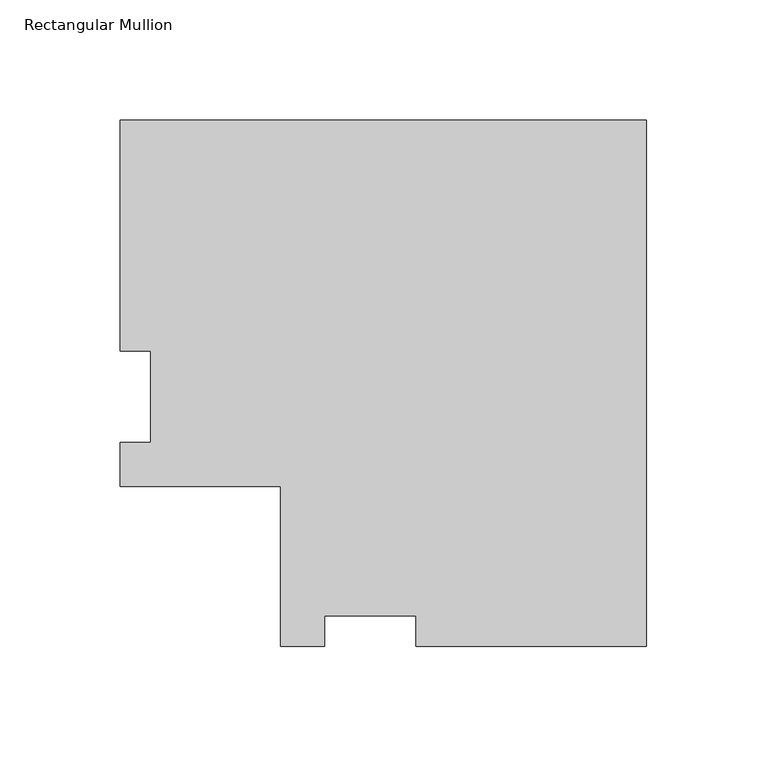
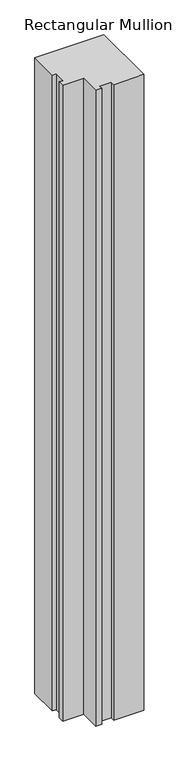
"""IFC4 building model written with IfcOpenShell, lengths in millimetres: member geometry, Rectangular Mullion."""

from ifc_helpers import new_model, si_unit, frame, origin, place, context, project, spatial, polyline, outline, extrude, source, transform, mapped, element, save


def rectangular_mullion_4b8e9d1d(model_context):
    return source(origin(), model_context, "Body", "SweptSolid", [
        extrude(outline(polyline([(-219.1004, 152.36825), (0.0, 152.36825), (0.0, -66.73215), (-96.012, -66.73215), (-96.012, -54.03215), (-134.112, -54.03215), (-134.112, -66.73215), (-152.4, -66.73215), (-152.4, -0.03175), (-219.1004, -0.03175), (-219.1004, 18.25625), (-206.4004, 18.25625), (-206.4004, 56.35625), (-219.1004, 56.35625), (-219.1004, 152.36825)])), frame((0.0, 0.0, -2133.6), z_axis=(0.0, 0.0, 1.0), x_axis=(1.0, 0.0, 0.0)), (0.0, 0.0, 1.0), 2133.6),
    ])


if __name__ == "__main__":
    model = new_model("IFC4")
    model_context = context("Model", 3, world=origin())
    ifc_project = project(units=[si_unit("LENGTHUNIT", "METRE", prefix="MILLI")], contexts=[model_context])
    site = spatial("IfcSite", under=ifc_project)
    building = spatial("IfcBuilding", under=site)
    placement = place(None, origin())
    rectangular_mullion_shape = rectangular_mullion_4b8e9d1d(model_context)
    element("IfcMember", 1, ObjectType="Rectangular Mullion", at=placement, inside=building, context=model_context, shape_type="MappedRepresentation", body=[
        mapped(rectangular_mullion_shape, transform((0.0, 0.0, 0.0), x_axis=(1.0, 0.0, 0.0), y_axis=(0.0, 1.0, 0.0), z_axis=(0.0, 0.0, 1.0))),
    ])
    save(model, "model.ifc")
